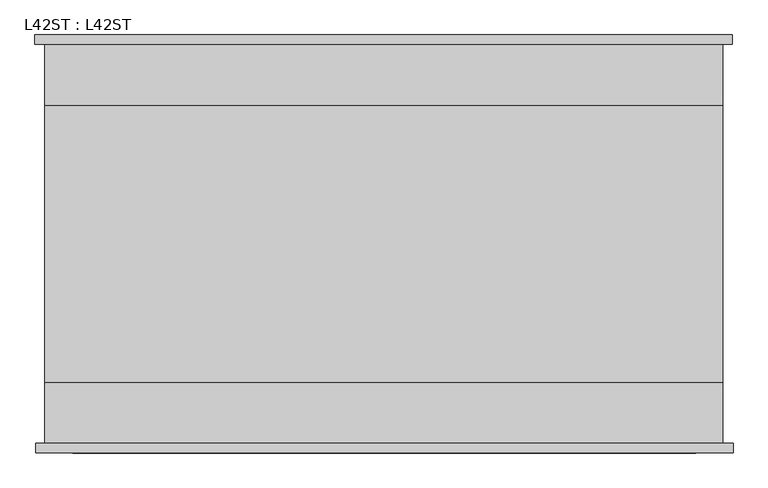
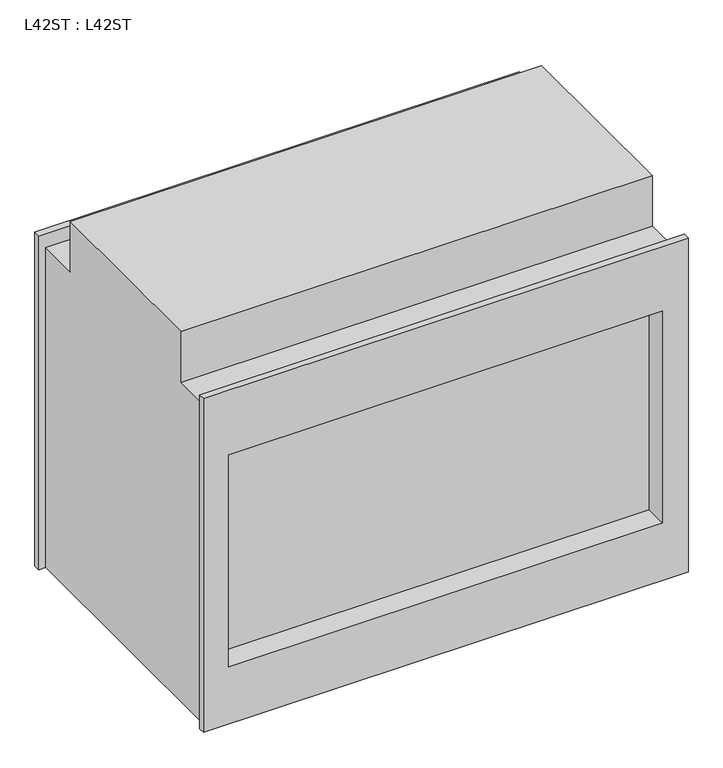
"""IFC4 building model written with IfcOpenShell, lengths in millimetres: proxy geometry, L42ST : L42ST."""

from ifc_helpers import new_model, si_unit, origin, place, context, project, spatial, faceted_brep, source, transform, mapped, element, save


def l42st_l42st_4fb4216d(model_context):
    return source(origin(), model_context, "Body", "Brep", [
        faceted_brep([(533.4793627, -304.8, 775.4810601), (-531.7966364, -304.8, 775.4810601), (-531.7966364, -319.4036293, 775.4810601), (533.4793627, -319.4036293, 775.4810601), (533.4793627, -304.8, 0.0), (533.4793627, -319.4036293, 0.0), (-531.7966364, -319.4036293, 0.0), (-531.7966364, -304.8, 0.0), (-517.9631412, -304.8, 0.0), (-517.9631412, 304.8, 0.0), (-533.3206356, 304.8, 0.0), (-533.3206356, 319.4036293, 0.0), (531.9553636, 319.4036293, 0.0), (531.9553636, 304.8, 0.0), (517.9631412, 304.8, 0.0), (517.9631412, -304.8, 0.0), (517.9631412, -304.8, 742.95), (-517.9631412, -304.8, 742.95), (-475.869, -319.4036293, 625.475), (476.631, -319.4036293, 625.475), (476.631, -319.4036293, 133.35), (-475.869, -319.4036293, 133.35), (517.9631412, -211.1375, 742.95), (-517.9631412, -211.1375, 742.95), (-517.9631412, 304.8, 742.95), (-517.9631412, 211.1375, 742.95), (517.9631412, 211.1375, 742.95), (517.9631412, 304.8, 742.95), (-517.9631412, -211.1375, 860.425), (-517.9631412, 211.1375, 860.425), (517.9631412, 211.1375, 860.425), (517.9631412, -211.1375, 860.425), (531.9553636, 304.8, 775.4810601), (531.9553636, 319.4036293, 775.4810601), (-533.3206356, 319.4036293, 775.4810601), (-533.3206356, 304.8, 775.4810601), (476.631, 319.4036293, 625.475), (-475.869, 319.4036293, 625.475), (-475.869, 319.4036293, 133.35), (476.631, 319.4036293, 133.35), (476.631, -268.5682707, 625.475), (-475.869, -268.5682707, 625.475), (-475.869, -268.5682707, 133.35), (476.631, -268.5682707, 133.35), (476.631, 268.5682707, 625.475), (476.631, 268.5682707, 133.35), (-475.869, 268.5682707, 133.35), (-475.869, 268.5682707, 625.475)], [[[0, 1, 2, 3]], [[4, 5, 6, 7, 8, 9, 10, 11, 12, 13, 14, 15]], [[1, 0, 4, 15, 16, 17, 8, 7]], [[2, 1, 7, 6]], [[3, 2, 6, 5], [18, 19, 20, 21]], [[0, 3, 5, 4]], [[17, 16, 22, 23]], [[24, 25, 26, 27]], [[9, 8, 17, 23, 28, 29, 25, 24]], [[15, 14, 27, 26, 30, 31, 22, 16]], [[30, 29, 28, 31]], [[29, 30, 26, 25]], [[31, 28, 23, 22]], [[32, 33, 34, 35]], [[32, 35, 10, 9, 24, 27, 14, 13]], [[35, 34, 11, 10]], [[34, 33, 12, 11], [36, 37, 38, 39]], [[33, 32, 13, 12]], [[40, 41, 42, 43]], [[41, 40, 19, 18]], [[42, 41, 18, 21]], [[43, 42, 21, 20]], [[40, 43, 20, 19]], [[44, 45, 46, 47]], [[44, 47, 37, 36]], [[47, 46, 38, 37]], [[46, 45, 39, 38]], [[45, 44, 36, 39]]]),
    ])


if __name__ == "__main__":
    model = new_model("IFC4")
    model_context = context("Model", 3, world=origin())
    ifc_project = project(units=[si_unit("LENGTHUNIT", "METRE", prefix="MILLI")], contexts=[model_context])
    site = spatial("IfcSite", under=ifc_project)
    building = spatial("IfcBuilding", under=site)
    placement = place(None, origin())
    l42st_l42st_shape = l42st_l42st_4fb4216d(model_context)
    element("IfcBuildingElementProxy", 1, Name="L42ST : L42ST", ObjectType="L42ST : L42ST", at=placement, inside=building, context=model_context, shape_type="MappedRepresentation", body=[
        mapped(l42st_l42st_shape, transform((0.0, 0.0, 0.0), x_axis=(1.0, 0.0, 0.0), y_axis=(0.0, 1.0, 0.0), z_axis=(0.0, 0.0, 1.0))),
    ])
    save(model, "model.ifc")
